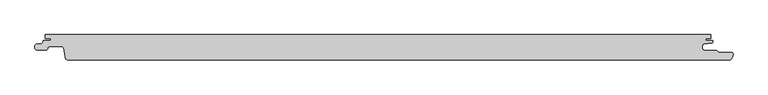
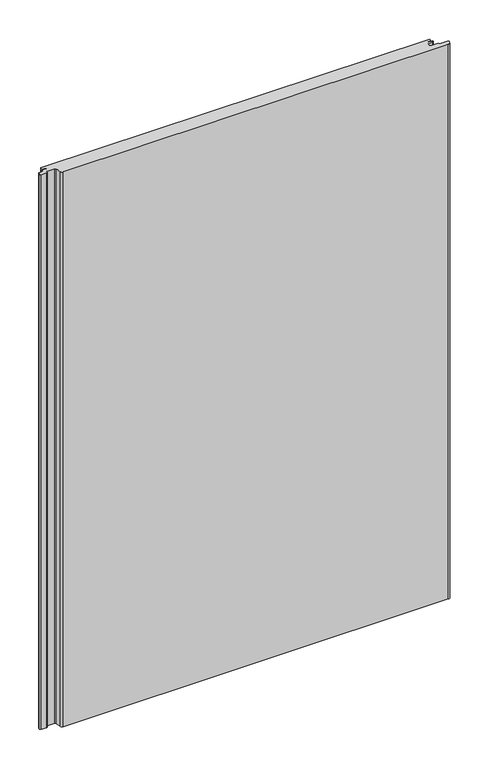
"""IFC4 building model written with IfcOpenShell, lengths in millimetres: proxy geometry."""

from ifc_helpers import new_model, si_unit, frame, origin, place, context, project, spatial, polyline, circle_curve, source, transform, mapped, element, save
from ifc_brep_helpers import plane_surface, cylinder_surface, revolved_surface, advanced_brep


def generic_models_f06a92c3(model_context):
    return source(origin(), model_context, "Body", "AdvancedBrep", [
        advanced_brep(
        [(484.3298107, -1.8000001, 1500.0), (484.3298107, 2.7224763, 1500.0), (486.6119534, 5.2129632, 1500.0), (498.354128, 6.2402726, 1500.0), (499.9, 8.6411684, 1500.0), (499.9, 10.0000004, 1500.0), (489.1798407, 10.0000004, 1500.0), (489.1798407, 13.0, 1500.0), (497.1797973, 13.0, 1500.0), (497.1797973, 19.0, 1500.0), (-496.8201817, 19.0, 1500.0), (-496.8201817, 13.0, 1500.0), (-488.8201818, 13.0, 1500.0), (-488.8201818, 10.0000004, 1500.0), (-500.0, 10.0000004, 1500.0), (-500.0, 9.2119514, 1500.0), (-502.1022925, 5.8003409, 1500.0), (-509.3990803, 5.1619547, 1500.0), (-512.3201819, 1.9741325, 1500.0), (-512.3201819, -0.8, 1500.0), (-509.1201818, -4.0, 1500.0), (-495.8890733, -4.0, 1500.0), (-493.4041499, -1.4803363, 1500.0), (-490.8699744, 1.0000008, 1500.0), (-471.869975, 1.0000008, 1500.0), (-469.4007538, -1.108914, 1500.0), (-467.2618449, -14.6134595, 1500.0), (-462.1258654, -19.0, 1500.0), (523.545754, -19.0, 1500.0), (529.0259034, -15.1970619, 1500.0), (530.1174781, -10.8771031, 1500.0), (527.5001275, -7.3, 1500.0), (508.408237, -7.3, 1500.0), (505.4082234, -4.2999995, 1500.0), (486.8298083, -4.2999995, 1500.0), (484.3298107, -1.8000001, 0.0), (486.8298083, -4.2999995, 0.0), (505.4082234, -4.2999995, 0.0), (508.408237, -7.3, 0.0), (527.5001275, -7.3, 0.0), (530.1174781, -10.8771031, 0.0), (529.0259034, -15.1970619, 0.0), (523.545754, -19.0, 0.0), (-462.1258654, -19.0, 0.0), (-467.2618449, -14.6134595, 0.0), (-469.4007538, -1.108914, 0.0), (-471.869975, 1.0000008, 0.0), (-490.8699744, 1.0000008, 0.0), (-493.3542541, -1.4766379, 0.0), (-495.8890733, -4.0, 0.0), (-509.1201818, -4.0, 0.0), (-512.3201819, -0.8, 0.0), (-512.3201819, 1.9741325, 0.0), (-509.3990803, 5.1619547, 0.0), (-502.1022925, 5.8003409, 0.0), (-500.0, 9.2119514, 0.0), (-500.0, 10.0000004, 0.0), (-488.8201818, 10.0000004, 0.0), (-488.8201818, 13.0, 0.0), (-496.8201817, 13.0, 0.0), (-496.8201817, 19.0, 0.0), (497.1797973, 19.0, 0.0), (497.1797973, 13.0, 0.0), (489.1798407, 13.0, 0.0), (489.1798407, 10.0000004, 0.0), (499.9, 10.0000004, 0.0), (499.9, 8.6411684, 0.0), (498.354128, 6.2402726, 0.0), (486.6119534, 5.2129632, 0.0), (484.3298107, 2.7224763, 0.0)],
        [
            (0, 1),
            (1, 2, circle_curve(frame((487.1582199, 2.4215379, 1500.0), z_axis=(0.0, 0.0, -1.0), x_axis=(1.0, 0.0, 0.0)), 2.8443739)),
            (2, 3),
            (3, 4, circle_curve(frame((497.0478272, 8.7794849, 1500.0), z_axis=(0.0, 0.0, 1.0), x_axis=(1.0, 0.0, 0.0)), 2.8555247)),
            (4, 5),
            (5, 6),
            (6, 7),
            (7, 8),
            (8, 9),
            (9, 10),
            (10, 11),
            (11, 12),
            (12, 13),
            (13, 14),
            (14, 15),
            (15, 16, circle_curve(frame((-503.8193353, 9.2119514, 1500.0), z_axis=(0.0, 0.0, -1.0), x_axis=(1.0, 0.0, 0.0)), 3.8193353)),
            (16, 17),
            (17, 18, circle_curve(frame((-509.0519935, 1.9116485, 1500.0), z_axis=(0.0, 0.0, 1.0), x_axis=(1.0, 0.0, 0.0)), 3.2687857)),
            (18, 19),
            (19, 20, circle_curve(frame((-509.1681836, -0.8480017, 1500.0), z_axis=(0.0, 0.0, 1.0), x_axis=(1.0, 0.0, 0.0)), 3.1523638)),
            (20, 21),
            (21, 22, circle_curve(frame((-495.7478996, -1.6540644, 1500.0), z_axis=(0.0, 0.0, 1.0), x_axis=(1.0, 0.0, 0.0)), 2.3501795)),
            (22, 23, circle_curve(frame((-491.0480249, -1.3056909, 1500.0), z_axis=(0.0, 0.0, -1.0), x_axis=(1.0, 0.0, 0.0)), 2.3125562)),
            (23, 24),
            (24, 25, circle_curve(frame((-471.8642031, -1.4932414, 1500.0), z_axis=(0.0, 0.0, -1.0), x_axis=(1.0, 0.0, 0.0)), 2.4932489)),
            (25, 26),
            (26, 27, circle_curve(frame((-462.186788, -13.871331, 1500.0), z_axis=(0.0, 0.0, 1.0), x_axis=(1.0, 0.0, 0.0)), 5.1290309)),
            (27, 28),
            (28, 29, circle_curve(frame((523.545754, -13.15, 1500.0), z_axis=(0.0, 0.0, 1.0), x_axis=(1.0, 0.0, 0.0)), 5.85)),
            (29, 30),
            (30, 31, circle_curve(frame((527.1899828, -10.273035, 1500.0), z_axis=(0.0, 0.0, 1.0), x_axis=(1.0, 0.0, 0.0)), 2.9891683)),
            (31, 32),
            (32, 33),
            (33, 34),
            (34, 0, circle_curve(frame((486.8260066, -1.8038036, 1500.0), z_axis=(0.0, 0.0, -1.0), x_axis=(1.0, 0.0, 0.0)), 2.4961988)),
            (35, 36, circle_curve(frame((486.8260066, -1.8038036, 0.0), z_axis=(0.0, 0.0, 1.0), x_axis=(1.0, 0.0, 0.0)), 2.4961988)),
            (36, 37),
            (37, 38),
            (38, 39),
            (39, 40, circle_curve(frame((527.1899828, -10.273035, 0.0), z_axis=(0.0, 0.0, -1.0), x_axis=(1.0, 0.0, 0.0)), 2.9891683)),
            (40, 41),
            (41, 42, circle_curve(frame((523.545754, -13.15, 0.0), z_axis=(0.0, 0.0, -1.0), x_axis=(1.0, 0.0, 0.0)), 5.85)),
            (42, 43),
            (43, 44, circle_curve(frame((-462.186788, -13.871331, 0.0), z_axis=(0.0, 0.0, -1.0), x_axis=(1.0, 0.0, 0.0)), 5.1290309)),
            (44, 45),
            (45, 46, circle_curve(frame((-471.8642031, -1.4932414, 0.0), z_axis=(0.0, 0.0, 1.0), x_axis=(1.0, 0.0, 0.0)), 2.4932489)),
            (46, 47),
            (47, 48, circle_curve(frame((-491.0480249, -1.3056909, 0.0), z_axis=(0.0, 0.0, 1.0), x_axis=(1.0, 0.0, 0.0)), 2.3125562)),
            (48, 49, circle_curve(frame((-495.7478996, -1.6540644, 0.0), z_axis=(0.0, 0.0, -1.0), x_axis=(1.0, 0.0, 0.0)), 2.3501795)),
            (49, 50),
            (50, 51, circle_curve(frame((-509.1681836, -0.8480017, 0.0), z_axis=(0.0, 0.0, -1.0), x_axis=(1.0, 0.0, 0.0)), 3.1523638)),
            (51, 52),
            (52, 53, circle_curve(frame((-509.0519935, 1.9116485, 0.0), z_axis=(0.0, 0.0, -1.0), x_axis=(1.0, 0.0, 0.0)), 3.2687857)),
            (53, 54),
            (54, 55, circle_curve(frame((-503.8193353, 9.2119514, 0.0), z_axis=(0.0, 0.0, 1.0), x_axis=(1.0, 0.0, 0.0)), 3.8193353)),
            (55, 56),
            (56, 57),
            (57, 58),
            (58, 59),
            (59, 60),
            (60, 61),
            (61, 62),
            (62, 63),
            (63, 64),
            (64, 65),
            (65, 66),
            (66, 67, circle_curve(frame((497.0478272, 8.7794849, 0.0), z_axis=(0.0, 0.0, -1.0), x_axis=(1.0, 0.0, 0.0)), 2.8555247)),
            (67, 68),
            (68, 69, circle_curve(frame((487.1582199, 2.4215379, 0.0), z_axis=(0.0, 0.0, 1.0), x_axis=(1.0, 0.0, 0.0)), 2.8443739)),
            (69, 35),
            (3, 67),
            (66, 4),
            (34, 36),
            (35, 0),
            (33, 37),
            (32, 38),
            (31, 39),
            (30, 40),
            (29, 41),
            (28, 42),
            (27, 43),
            (26, 44),
            (25, 45),
            (24, 46),
            (23, 47),
            (22, 48),
            (21, 49),
            (20, 50),
            (19, 51),
            (18, 52),
            (17, 53),
            (16, 54),
            (15, 55),
            (14, 56),
            (13, 57),
            (12, 58),
            (11, 59),
            (10, 60),
            (9, 61),
            (8, 62),
            (7, 63),
            (6, 64),
            (5, 65),
            (2, 68),
            (1, 69),
        ],
        [
            plane_surface(frame((489.3222054, -1.8038036, 1500.0), z_axis=(0.0, 0.0, 1.0), x_axis=(0.0, 1.0, 0.0))),
            plane_surface(frame((489.3222054, -1.8038036, 0.0), z_axis=(0.0, 0.0, -1.0), x_axis=(0.0, -1.0, 0.0))),
            cylinder_surface(frame((497.0478272, 8.7794849, 0.0), z_axis=(0.0, 0.0, 1.0), x_axis=(1.0, 0.0, 0.0)), 2.8555247),
            revolved_surface(polyline([(489.32220540000003, -1.8038036, 0.0), (489.32220540000003, -1.8038036, 1500.0)]), (486.8260066, -1.8038036, 0.0), (0.0, 0.0, -1.0)),
            plane_surface(frame((486.8298083, -4.2999995, 1500.0), z_axis=(0.0, 1.0, 0.0), x_axis=(0.0, 0.0, -1.0))),
            plane_surface(frame((505.4082234, -4.2999995, 1500.0), z_axis=(0.7071052289837289, 0.707108333385959, 0.0), x_axis=(0.0, 0.0, -1.0))),
            plane_surface(frame((508.408237, -7.3, 1500.0), z_axis=(0.0, 1.0, 0.0), x_axis=(0.0, 0.0, -1.0))),
            cylinder_surface(frame((527.1899828, -10.273035, 0.0), z_axis=(0.0, 0.0, 1.0), x_axis=(1.0, 0.0, 0.0)), 2.9891683),
            plane_surface(frame((530.1174781, -10.8771031, 1500.0), z_axis=(0.9695276443999398, -0.24498193146496328, 0.0), x_axis=(0.0, 0.0, -1.0))),
            cylinder_surface(frame((523.545754, -13.15, 0.0), z_axis=(0.0, 0.0, 1.0), x_axis=(1.0, 0.0, 0.0)), 5.85),
            plane_surface(frame((523.545754, -19.0, 1500.0), z_axis=(0.0, -1.0, 0.0), x_axis=(0.0, 0.0, -1.0))),
            cylinder_surface(frame((-462.186788, -13.871331, 0.0), z_axis=(0.0, 0.0, 1.0), x_axis=(1.0, 0.0, 0.0)), 5.1290309),
            plane_surface(frame((-467.2618449, -14.6134595, 1500.0), z_axis=(-0.9876883510848851, -0.15643439881055846, 0.0), x_axis=(0.0, 0.0, -1.0))),
            revolved_surface(polyline([(-469.37095419999997, -1.4932414, 0.0), (-469.37095419999997, -1.4932414, 1500.0)]), (-471.8642031, -1.4932414, 0.0), (0.0, 0.0, -1.0)),
            plane_surface(frame((-471.869975, 1.0000008, 1500.0), z_axis=(0.0, -1.0, 0.0), x_axis=(0.0, 0.0, -1.0))),
            revolved_surface(polyline([(-488.73546869999996, -1.3056909, 0.0), (-488.73546869999996, -1.3056909, 1500.0)]), (-491.0480249, -1.3056909, 0.0), (0.0, 0.0, -1.0)),
            cylinder_surface(frame((-495.7478996, -1.6540644, 0.0), z_axis=(0.0, 0.0, 1.0), x_axis=(1.0, 0.0, 0.0)), 2.3501795),
            plane_surface(frame((-495.8890733, -4.0, 1500.0), z_axis=(0.0, -1.0, 0.0), x_axis=(0.0, 0.0, -1.0))),
            cylinder_surface(frame((-509.1681836, -0.8480017, 0.0), z_axis=(0.0, 0.0, 1.0), x_axis=(1.0, 0.0, 0.0)), 3.1523638),
            plane_surface(frame((-512.3201819, -0.8, 1500.0), z_axis=(-1.0, 0.0, 0.0), x_axis=(0.0, 0.0, -1.0))),
            cylinder_surface(frame((-509.0519935, 1.9116485, 0.0), z_axis=(0.0, 0.0, 1.0), x_axis=(1.0, 0.0, 0.0)), 3.2687857),
            plane_surface(frame((-509.3990803, 5.1619547, 1500.0), z_axis=(-0.08715574563482881, 0.9961946978391508, 0.0), x_axis=(0.0, 0.0, -1.0))),
            revolved_surface(polyline([(-500.0, 9.2119514, 0.0), (-500.0, 9.2119514, 1500.0)]), (-503.8193353, 9.2119514, 0.0), (0.0, 0.0, -1.0)),
            plane_surface(frame((-500.0, 9.2119514, 1500.0), z_axis=(-1.0, 0.0, 0.0), x_axis=(0.0, 0.0, -1.0))),
            plane_surface(frame((-500.0, 10.0000004, 1500.0), z_axis=(0.0, 1.0, 0.0), x_axis=(0.0, 0.0, -1.0))),
            plane_surface(frame((-488.8201818, 10.0000004, 1500.0), z_axis=(-1.0, 0.0, 0.0), x_axis=(0.0, 0.0, -1.0))),
            plane_surface(frame((-488.8201818, 13.0, 1500.0), z_axis=(0.0, -1.0, 0.0), x_axis=(0.0, 0.0, -1.0))),
            plane_surface(frame((-496.8201817, 13.0, 1500.0), z_axis=(-1.0, 0.0, 0.0), x_axis=(0.0, 0.0, -1.0))),
            plane_surface(frame((-496.8201817, 19.0, 1500.0), z_axis=(0.0, 1.0, 0.0), x_axis=(0.0, 0.0, -1.0))),
            plane_surface(frame((497.1797973, 19.0, 1500.0), z_axis=(1.0, 0.0, 0.0), x_axis=(0.0, 0.0, -1.0))),
            plane_surface(frame((497.1797973, 13.0, 1500.0), z_axis=(0.0, -1.0, 0.0), x_axis=(0.0, 0.0, -1.0))),
            plane_surface(frame((489.1798407, 13.0, 1500.0), z_axis=(1.0, 0.0, 0.0), x_axis=(0.0, 0.0, -1.0))),
            plane_surface(frame((489.1798407, 10.0000004, 1500.0), z_axis=(0.0, 1.0, 0.0), x_axis=(0.0, 0.0, -1.0))),
            plane_surface(frame((499.9, 10.0000004, 1500.0), z_axis=(1.0, 0.0, 0.0), x_axis=(0.0, 0.0, -1.0))),
            plane_surface(frame((498.354128, 6.2402726, 1500.0), z_axis=(0.08715592552603066, -0.9961946821006932, 0.0), x_axis=(0.0, 0.0, -1.0))),
            revolved_surface(polyline([(490.0025938, 2.4215379, 0.0), (490.0025938, 2.4215379, 1500.0)]), (487.1582199, 2.4215379, 0.0), (0.0, 0.0, -1.0)),
            plane_surface(frame((484.3298107, 2.7224763, 1500.0), z_axis=(1.0, 0.0, 0.0), x_axis=(0.0, 0.0, -1.0))),
        ],
        [
            (0, [[1, 2, 3, 4, 5, 6, 7, 8, 9, 10, 11, 12, 13, 14, 15, 16, 17, 18, 19, 20, 21, 22, 23, 24, 25, 26, 27, 28, 29, 30, 31, 32, 33, 34, 35]]),
            (1, [[36, 37, 38, 39, 40, 41, 42, 43, 44, 45, 46, 47, 48, 49, 50, 51, 52, 53, 54, 55, 56, 57, 58, 59, 60, 61, 62, 63, 64, 65, 66, 67, 68, 69, 70]]),
            (2, [[71, -67, 72, -4]]),
            (3, [[73, -36, 74, -35]]),
            (4, [[75, -37, -73, -34]]),
            (5, [[76, -38, -75, -33]]),
            (6, [[77, -39, -76, -32]]),
            (7, [[78, -40, -77, -31]]),
            (8, [[79, -41, -78, -30]]),
            (9, [[80, -42, -79, -29]]),
            (10, [[81, -43, -80, -28]]),
            (11, [[82, -44, -81, -27]]),
            (12, [[83, -45, -82, -26]]),
            (13, [[84, -46, -83, -25]]),
            (14, [[85, -47, -84, -24]]),
            (15, [[86, -48, -85, -23]]),
            (16, [[87, -49, -86, -22]]),
            (17, [[88, -50, -87, -21]]),
            (18, [[89, -51, -88, -20]]),
            (19, [[90, -52, -89, -19]]),
            (20, [[91, -53, -90, -18]]),
            (21, [[92, -54, -91, -17]]),
            (22, [[93, -55, -92, -16]]),
            (23, [[94, -56, -93, -15]]),
            (24, [[95, -57, -94, -14]]),
            (25, [[96, -58, -95, -13]]),
            (26, [[97, -59, -96, -12]]),
            (27, [[98, -60, -97, -11]]),
            (28, [[99, -61, -98, -10]]),
            (29, [[100, -62, -99, -9]]),
            (30, [[101, -63, -100, -8]]),
            (31, [[102, -64, -101, -7]]),
            (32, [[103, -65, -102, -6]]),
            (33, [[-72, -66, -103, -5]]),
            (34, [[104, -68, -71, -3]]),
            (35, [[105, -69, -104, -2]]),
            (36, [[-74, -70, -105, -1]]),
        ],
    ),
    ])


if __name__ == "__main__":
    model = new_model("IFC4")
    model_context = context("Model", 3, world=origin())
    ifc_project = project(units=[si_unit("LENGTHUNIT", "METRE", prefix="MILLI")], contexts=[model_context])
    site = spatial("IfcSite", under=ifc_project)
    building = spatial("IfcBuilding", under=site)
    placement = place(None, origin())
    generic_models_shape = generic_models_f06a92c3(model_context)
    element("IfcBuildingElementProxy", 1, Name="Generic Models", at=placement, inside=building, context=model_context, shape_type="MappedRepresentation", body=[
        mapped(generic_models_shape, transform((0.0, 0.0, 0.0), x_axis=(1.0, 0.0, 0.0), y_axis=(0.0, 1.0, 0.0), z_axis=(0.0, 0.0, 1.0))),
    ])
    save(model, "model.ifc")
